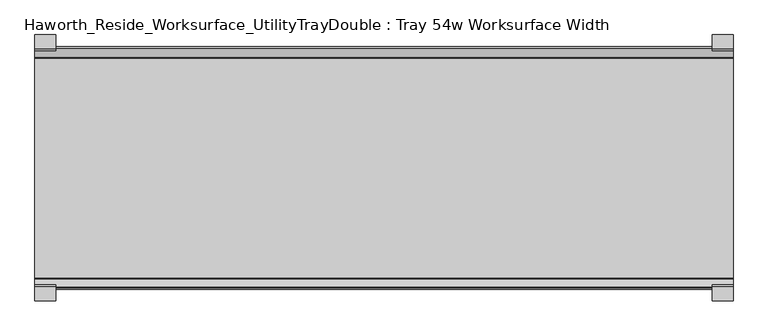
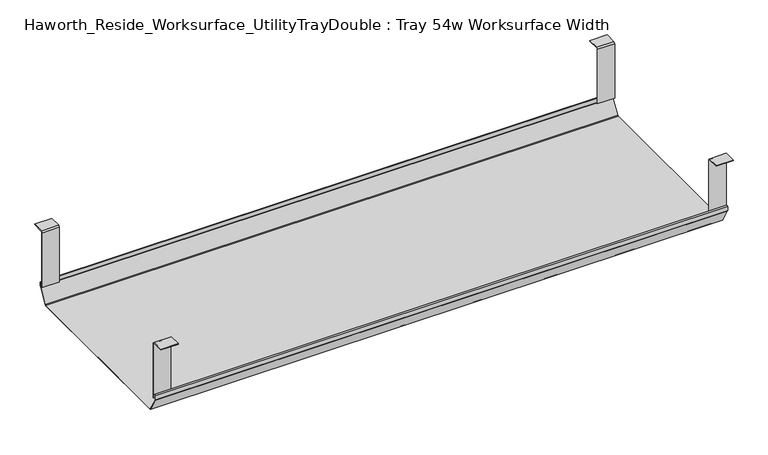
"""IFC4 building model written with IfcOpenShell, lengths in millimetres: furniture geometry, Haworth_Reside_Worksurface_UtilityTrayDouble : Tray 54w Worksurface Width."""

from ifc_helpers import new_model, si_unit, frame, origin, place, context, project, spatial, polyline, outline, extrude, source, transform, mapped, element, save


def haworth_reside_worksurface_utilitytraydouble_tray_54w_732e60ed(model_context):
    return source(origin(), model_context, "Body", "SweptSolid", [
        extrude(outline(polyline([(-721.2228768, 731.8375), (-718.8278791, 729.4425023), (-718.8278791, 621.6649855), (-720.2248778, 621.6649855), (-720.2248778, 729.0734626), (-721.7824239, 730.6310087), (-743.0086797, 730.6310087), (-743.0086797, 731.8375), (-721.2228768, 731.8375)])), frame((717.4991976, 0.0, 0.0), z_axis=(1.0, 0.0, 0.0), x_axis=(0.0, 1.0, 0.0)), (0.0, 0.0, 1.0), 31.8008024),
        extrude(outline(polyline([(-357.7340763, 731.8375), (-335.9482734, 731.8375), (-335.9482734, 730.6310087), (-357.1745292, 730.6310087), (-358.7320753, 729.0734626), (-358.7320753, 621.6649855), (-360.129074, 621.6649855), (-360.129074, 729.4425023), (-357.7340763, 731.8375)])), frame((717.4991976, 0.0, 0.0), z_axis=(1.0, 0.0, 0.0), x_axis=(0.0, 1.0, 0.0)), (0.0, 0.0, 1.0), 31.8008024),
        extrude(outline(polyline([(-721.2228768, 731.8375), (-718.8278791, 729.4425023), (-718.8278791, 621.6649855), (-720.2248778, 621.6649855), (-720.2248778, 729.0734626), (-721.7824239, 730.6310087), (-743.0086797, 730.6310087), (-743.0086797, 731.8375), (-721.2228768, 731.8375)])), frame((-317.5, 0.0, 0.0), z_axis=(1.0, 0.0, 0.0), x_axis=(0.0, 1.0, 0.0)), (0.0, 0.0, 1.0), 31.8008024),
        extrude(outline(polyline([(-357.7340763, 731.8375), (-335.9482734, 731.8375), (-335.9482734, 730.6310087), (-357.1745292, 730.6310087), (-358.7320753, 729.0734626), (-358.7320753, 621.6649855), (-360.129074, 621.6649855), (-360.129074, 729.4425023), (-357.7340763, 731.8375)])), frame((-317.5, 0.0, 0.0), z_axis=(1.0, 0.0, 0.0), x_axis=(0.0, 1.0, 0.0)), (0.0, 0.0, 1.0), 31.8008024),
        extrude(outline(polyline([(-725.025475, 629.0309966), (-722.993477, 631.0629947), (-722.432211, 630.5017287), (-724.231725, 628.7022146), (-724.231725, 620.8042827), (-724.0067745, 619.9647622), (-708.9140802, 593.8234395), (-707.4787101, 592.9947272), (-371.478243, 592.9947272), (-370.0428729, 593.8234395), (-354.9501786, 619.9647622), (-354.7252281, 620.8042827), (-354.7252281, 628.7022146), (-356.5247421, 630.5017287), (-355.9634761, 631.0629947), (-353.9314781, 629.0309966), (-353.9314781, 620.6997828), (-354.2105217, 619.6583856), (-369.5353957, 593.1149156), (-371.1183815, 592.2009772), (-707.691395, 592.2009772), (-709.4951457, 593.2423744), (-724.7464314, 619.6583856), (-725.025475, 620.6997828), (-725.025475, 629.0309966)])), frame((-317.5, 0.0, 0.0), z_axis=(1.0, 0.0, 0.0), x_axis=(0.0, 1.0, 0.0)), (0.0, 0.0, 1.0), 1066.8),
    ])


if __name__ == "__main__":
    model = new_model("IFC4")
    model_context = context("Model", 3, world=origin())
    ifc_project = project(units=[si_unit("LENGTHUNIT", "METRE", prefix="MILLI")], contexts=[model_context])
    site = spatial("IfcSite", under=ifc_project)
    building = spatial("IfcBuilding", under=site)
    placement = place(None, origin())
    haworth_reside_worksurface_utilitytraydouble_tray_54w_shape = haworth_reside_worksurface_utilitytraydouble_tray_54w_732e60ed(model_context)
    element("IfcFurniture", 1, ObjectType="Haworth_Reside_Worksurface_UtilityTrayDouble : Tray 54w Worksurface Width", at=placement, inside=building, context=model_context, shape_type="MappedRepresentation", body=[
        mapped(haworth_reside_worksurface_utilitytraydouble_tray_54w_shape, transform((0.0, 0.0, 0.0), x_axis=(1.0, 0.0, 0.0), y_axis=(0.0, 1.0, 0.0), z_axis=(0.0, 0.0, 1.0))),
    ])
    save(model, "model.ifc")
